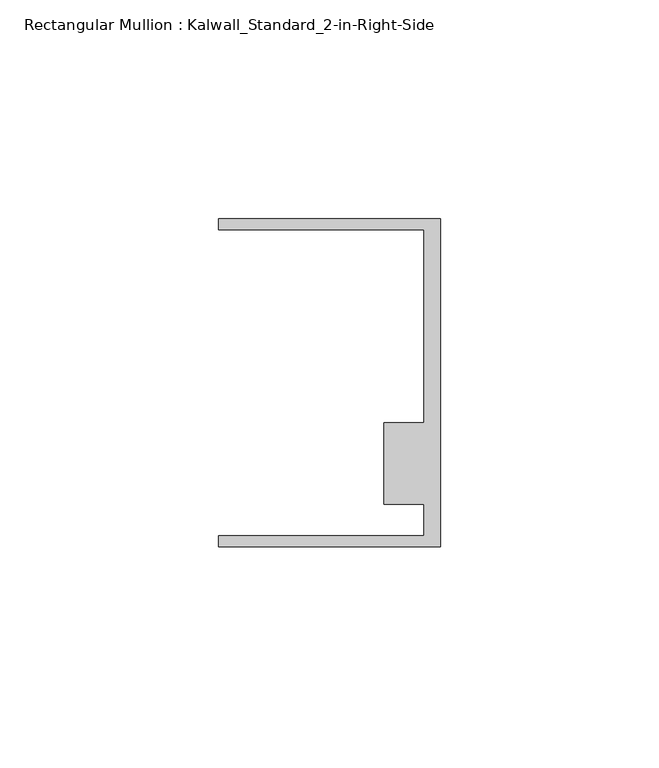
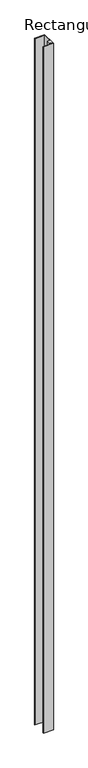
"""IFC4 building model written with IfcOpenShell, lengths in millimetres: member geometry, Rectangular Mullion : Kalwall_Standard_2-in-Right-Side."""

from ifc_helpers import new_model, si_unit, frame, origin, place, context, project, spatial, polyline, outline, extrude, source, transform, mapped, element, save


def rectangular_mullion_kalwall_standard_2_in_right_side_7bd91166(model_context):
    return source(origin(), model_context, "Body", "SweptSolid", [
        extrude(outline(polyline([(0.0, -37.5776386), (-50.8, -37.5776386), (-50.8, -35.0376386), (-3.7084, -35.0376386), (-3.7084, -27.8888568), (-12.8272539, -27.8888568), (-12.8272539, -9.1879886), (-3.7084, -9.1879886), (-3.7084, 34.9623614), (-50.8, 34.9623614), (-50.8, 37.5023614), (0.0, 37.5023614), (0.0, -37.5776386)])), frame((0.0, 0.0, -3657.6), z_axis=(0.0, 0.0, 1.0), x_axis=(1.0, 0.0, 0.0)), (0.0, 0.0, 1.0), 3657.6),
    ])


if __name__ == "__main__":
    model = new_model("IFC4")
    model_context = context("Model", 3, world=origin())
    ifc_project = project(units=[si_unit("LENGTHUNIT", "METRE", prefix="MILLI")], contexts=[model_context])
    site = spatial("IfcSite", under=ifc_project)
    building = spatial("IfcBuilding", under=site)
    placement = place(None, origin())
    rectangular_mullion_kalwall_standard_2_in_right_side_shape = rectangular_mullion_kalwall_standard_2_in_right_side_7bd91166(model_context)
    element("IfcMember", 1, ObjectType="Rectangular Mullion : Kalwall_Standard_2-in-Right-Side", at=placement, inside=building, context=model_context, shape_type="MappedRepresentation", body=[
        mapped(rectangular_mullion_kalwall_standard_2_in_right_side_shape, transform((0.0, 0.0, 0.0), x_axis=(1.0, 0.0, 0.0), y_axis=(0.0, 1.0, 0.0), z_axis=(0.0, 0.0, 1.0))),
    ])
    save(model, "model.ifc")
